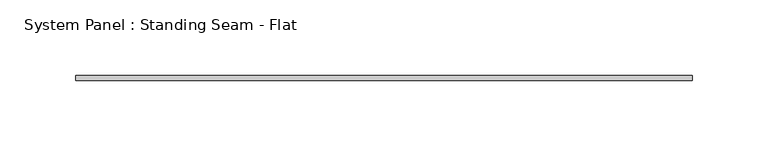
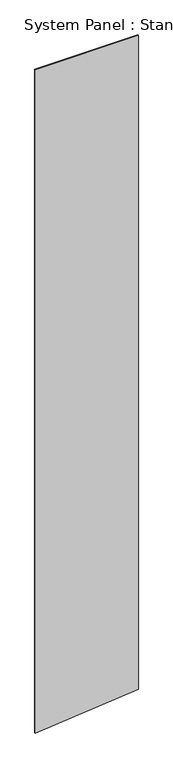
"""IFC4 building model written with IfcOpenShell, lengths in millimetres: plate geometry, System Panel : Standing Seam - Flat."""

from ifc_helpers import new_model, si_unit, frame, origin, place, context, project, spatial, polyline, outline, extrude, source, transform, mapped, element, save


def system_panel_standing_seam_flat_ea5d311c(model_context):
    return source(origin(), model_context, "Body", "SweptSolid", [
        extrude(outline(polyline([(0.0, -203.2), (41.2973855, 203.2), (2764.1005308, 203.2), (2764.1005308, -203.2), (0.0, -203.2)])), frame((0.0, -1.5875, 0.0), z_axis=(0.0, 1.0, 0.0), x_axis=(0.0, 0.0, 1.0)), (0.0, 0.0, 1.0), 3.175),
    ])


if __name__ == "__main__":
    model = new_model("IFC4")
    model_context = context("Model", 3, world=origin())
    ifc_project = project(units=[si_unit("LENGTHUNIT", "METRE", prefix="MILLI")], contexts=[model_context])
    site = spatial("IfcSite", under=ifc_project)
    building = spatial("IfcBuilding", under=site)
    placement = place(None, origin())
    system_panel_standing_seam_flat_shape = system_panel_standing_seam_flat_ea5d311c(model_context)
    element("IfcPlate", 1, ObjectType="System Panel : Standing Seam - Flat", at=placement, inside=building, context=model_context, shape_type="MappedRepresentation", body=[
        mapped(system_panel_standing_seam_flat_shape, transform((0.0, 0.0, 0.0), x_axis=(1.0, 0.0, 0.0), y_axis=(0.0, 1.0, 0.0), z_axis=(0.0, 0.0, 1.0))),
    ])
    save(model, "model.ifc")
